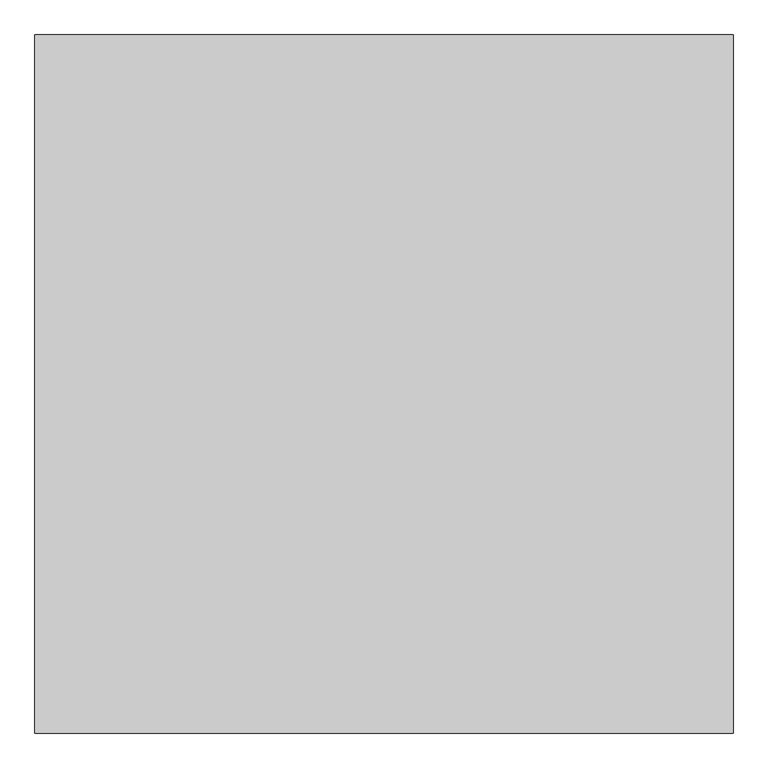
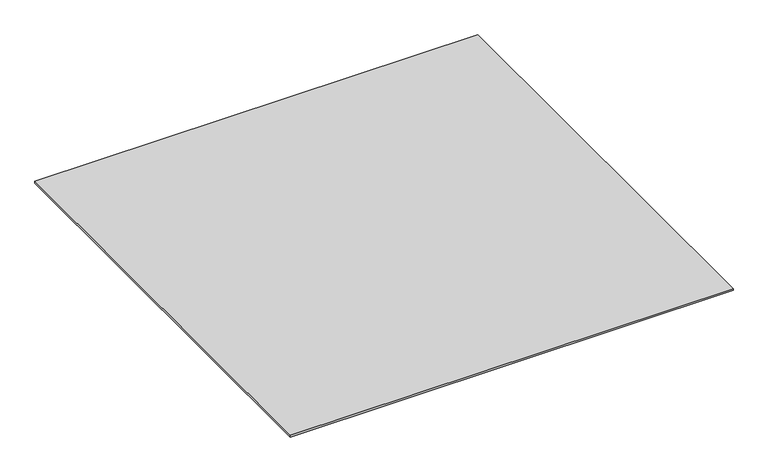
"""IFC4 building model written with IfcOpenShell, lengths in millimetres: proxy geometry."""

from ifc_helpers import new_model, si_unit, origin, origin_with_axes, place, context, project, spatial, polyline, outline, extrude, source, transform, mapped, element, save


def generic_models_2acd3001(model_context):
    return source(origin(), model_context, "Body", "SweptSolid", [
        extrude(outline(polyline([(7444.603672, -17878.0478908), (7444.603672, -18878.0478908), (6444.603672, -18878.0478908), (6444.603672, -17878.0478908), (7444.603672, -17878.0478908)])), origin_with_axes(), (0.0, 0.0, 1.0), 4.0),
    ])


if __name__ == "__main__":
    model = new_model("IFC4")
    model_context = context("Model", 3, world=origin())
    ifc_project = project(units=[si_unit("LENGTHUNIT", "METRE", prefix="MILLI")], contexts=[model_context])
    site = spatial("IfcSite", under=ifc_project)
    building = spatial("IfcBuilding", under=site)
    placement = place(None, origin())
    generic_models_shape = generic_models_2acd3001(model_context)
    element("IfcBuildingElementProxy", 1, Name="Generic Models", at=placement, inside=building, context=model_context, shape_type="MappedRepresentation", body=[
        mapped(generic_models_shape, transform((0.0, 0.0, 0.0), x_axis=(1.0, 0.0, 0.0), y_axis=(0.0, 1.0, 0.0), z_axis=(0.0, 0.0, 1.0))),
    ])
    save(model, "model.ifc")
